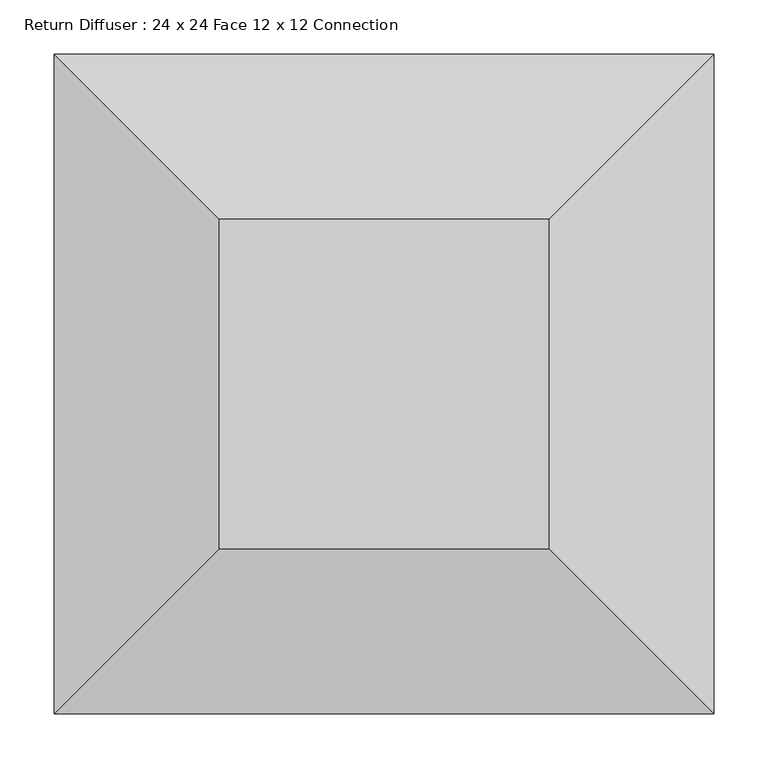
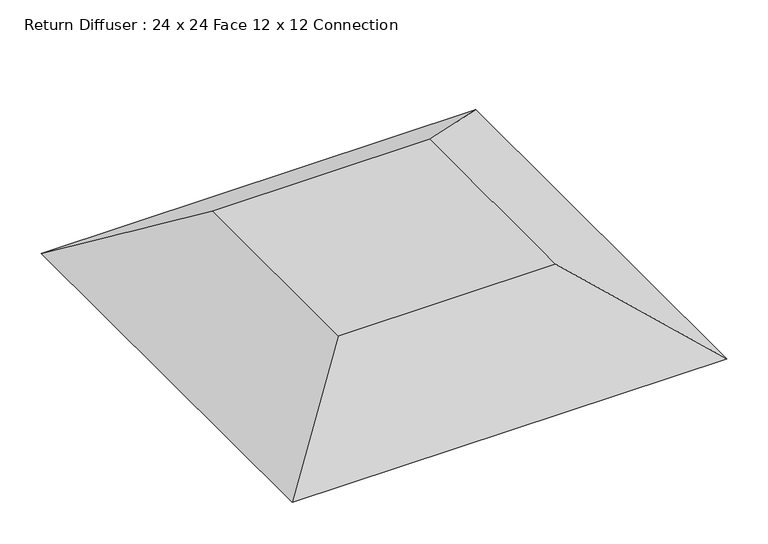
"""IFC4 building model written with IfcOpenShell, lengths in millimetres: air terminal geometry, Return Diffuser : 24 x 24 Face 12 x 12 Connection."""

from ifc_helpers import new_model, si_unit, origin, place, context, project, spatial, faceted_brep, source, transform, mapped, element, save


def return_diffuser_24_x_24_face_12_x_12_connection_ff543d60(model_context):
    return source(origin(), model_context, "Body", "Brep", [
        faceted_brep([(152.4, 152.4, 101.6), (-152.4, 152.4, 101.6), (-152.4, -152.4, 101.6), (152.4, -152.4, 101.6), (304.8, 304.8, 0.0), (304.8, -304.8, 0.0), (-304.8, -304.8, 0.0), (-304.8, 304.8, 0.0)], [[[0, 1, 2, 3]], [[4, 5, 6, 7]], [[4, 7, 1, 0]], [[7, 6, 2, 1]], [[6, 5, 3, 2]], [[5, 4, 0, 3]]]),
    ])


if __name__ == "__main__":
    model = new_model("IFC4")
    model_context = context("Model", 3, world=origin())
    ifc_project = project(units=[si_unit("LENGTHUNIT", "METRE", prefix="MILLI")], contexts=[model_context])
    site = spatial("IfcSite", under=ifc_project)
    building = spatial("IfcBuilding", under=site)
    placement = place(None, origin())
    return_diffuser_24_x_24_face_12_x_12_connection_shape = return_diffuser_24_x_24_face_12_x_12_connection_ff543d60(model_context)
    element("IfcAirTerminal", 1, ObjectType="Return Diffuser : 24 x 24 Face 12 x 12 Connection", at=placement, inside=building, context=model_context, shape_type="MappedRepresentation", body=[
        mapped(return_diffuser_24_x_24_face_12_x_12_connection_shape, transform((0.0, 0.0, 0.0), x_axis=(1.0, 0.0, 0.0), y_axis=(0.0, 1.0, 0.0), z_axis=(0.0, 0.0, 1.0))),
    ])
    save(model, "model.ifc")
